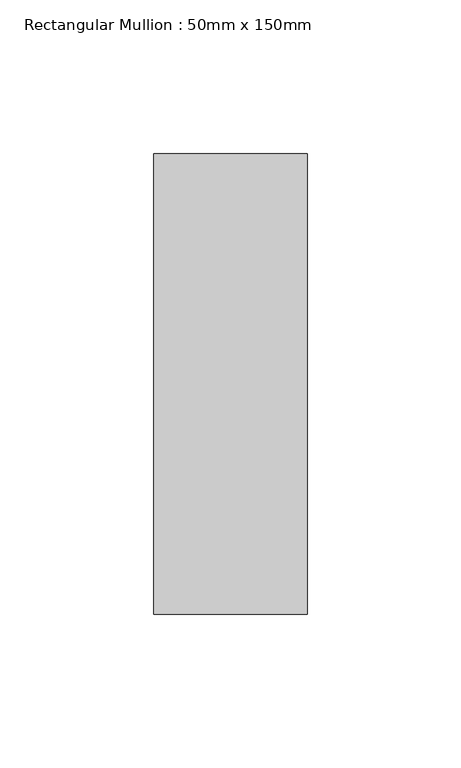
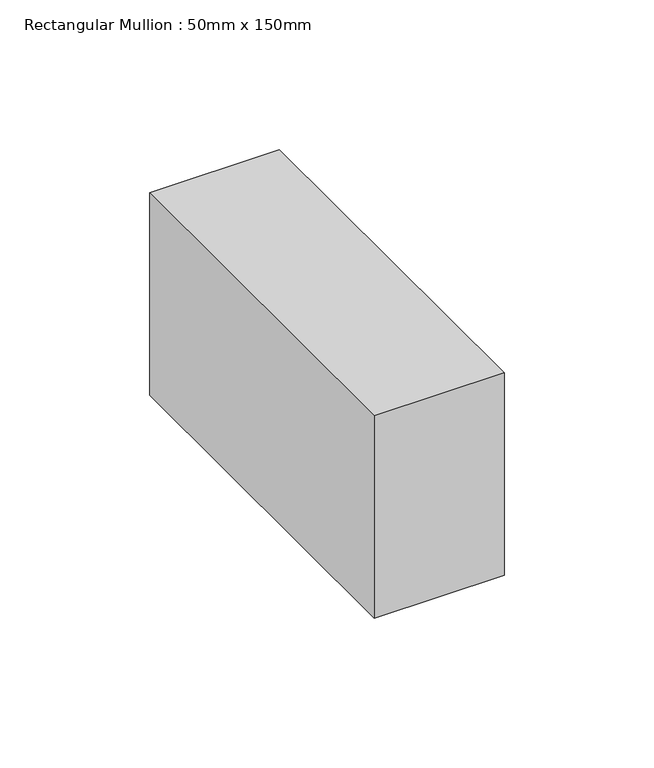
"""IFC4 building model written with IfcOpenShell, lengths in millimetres: member geometry, Rectangular Mullion : 50mm x 150mm."""

import ifcopenshell
import ifcopenshell.guid

model = None  # the IFC model being written
_history = None  # IfcOwnerHistory: only IFC2X3 demands one
_inside = {}  # id of a spatial element -> (the spatial element, [elements in it])
_under = {}  # id of a project, library or spatial element -> (it, [spatial elements below it])
_declared = {}  # id of a project -> (the project, [libraries it declares])
_typed = {}  # id of a type object -> (the type object, [elements of that type])
_made_of = {}  # id of a material, layer set ... -> (it, [elements and type objects made of it])


def new_model(schema):
    """Start an empty IFC model of exactly this schema.

    Asked for "IFC4X3", IfcOpenShell would pick the latest addendum, in which some entities
    have other attributes; the version numbers below select the first issue.
    IFC2X3 requires an IfcOwnerHistory on every rooted entity: one is made here for all.
    """
    global model, _history
    if schema == "IFC4X3":
        model = ifcopenshell.file(schema_version=(4, 3, 0, 0))
    else:
        model = ifcopenshell.file(schema=schema)
    _inside.clear()
    _under.clear()
    _declared.clear()
    _typed.clear()
    _made_of.clear()
    _history = None
    if model.schema == "IFC2X3":
        org = make("IfcOrganization", Name="unknown")
        user = make(
            "IfcPersonAndOrganization",
            ThePerson=make("IfcPerson", FamilyName="unknown"),
            TheOrganization=org,
        )
        app = make(
            "IfcApplication",
            ApplicationDeveloper=org,
            Version="unknown",
            ApplicationFullName="unknown",
            ApplicationIdentifier="unknown",
        )
        _history = make(
            "IfcOwnerHistory",
            OwningUser=user,
            OwningApplication=app,
            ChangeAction="ADDED",
            CreationDate=0,
        )
    return model


def make(cls, **values):
    """One entity of the class cls with the attributes given. An attribute that is None is left unset."""
    return model.create_entity(
        cls, **{name: value for name, value in values.items() if value is not None}
    )


def rooted(cls, **values):
    """An entity with a GlobalId (a new one), such as an element, a storey or a relation."""
    return make(cls, GlobalId=ifcopenshell.guid.new(), OwnerHistory=_history, **values)


def si_unit(unit_type, name, prefix=None):
    """IfcSIUnit, for example si_unit("LENGTHUNIT", "METRE", prefix="MILLI")."""
    return make("IfcSIUnit", UnitType=unit_type, Prefix=prefix, Name=name)


def assignment(units):
    """IfcUnitAssignment: the units of a project."""
    return None if units is None else make("IfcUnitAssignment", Units=units)


def point(xyz):
    """IfcCartesianPoint."""
    return None if xyz is None else make("IfcCartesianPoint", Coordinates=xyz)


def direction(xyz):
    """IfcDirection."""
    return None if xyz is None else make("IfcDirection", DirectionRatios=xyz)


def frame(location, z_axis=None, x_axis=None):
    """IfcAxis2Placement3D, a coordinate frame: its origin and axes. An axis left out is left unset."""
    return make(
        "IfcAxis2Placement3D",
        Location=point(location),
        Axis=direction(z_axis),
        RefDirection=direction(x_axis),
    )


def origin():
    """The frame at (0, 0, 0) with its axes left unset."""
    return frame((0.0, 0.0, 0.0))


def place(relative_to, where):
    """IfcLocalPlacement: puts the frame where relative to a parent placement (None: the world)."""
    return make(
        "IfcLocalPlacement", PlacementRelTo=relative_to, RelativePlacement=where
    )


def context(
    kind, dimensions, precision=None, world=None, true_north=None, identifier=None
):
    """IfcGeometricRepresentationContext, for example the 3D "Model" context."""
    return make(
        "IfcGeometricRepresentationContext",
        ContextIdentifier=identifier,
        ContextType=kind,
        CoordinateSpaceDimension=dimensions,
        Precision=precision,
        WorldCoordinateSystem=world,
        TrueNorth=true_north,
    )


def project(units=None, contexts=None):
    """IfcProject with its units and contexts."""
    return rooted(
        "IfcProject",
        Name="project",
        RepresentationContexts=contexts,
        UnitsInContext=assignment(units),
    )


def spatial(cls, under=None, at=None, **own):
    """A site, building, storey or space (cls), placed at a placement, below another one or the project."""
    s = rooted(cls, ObjectPlacement=at, **own)
    if under is not None:
        _under.setdefault(under.id(), (under, []))[1].append(s)
    return s


def polyline(points):
    """IfcPolyline through the points."""
    return make("IfcPolyline", Points=[point(p) for p in points])


def outline(outer, holes=None, kind="AREA"):
    """IfcArbitraryClosedProfileDef: a profile drawn as a closed curve; with holes, ...WithVoids."""
    if holes is None:
        return make("IfcArbitraryClosedProfileDef", ProfileType=kind, OuterCurve=outer)
    return make(
        "IfcArbitraryProfileDefWithVoids",
        ProfileType=kind,
        OuterCurve=outer,
        InnerCurves=holes,
    )


def extrude(swept, where, along, depth):
    """IfcExtrudedAreaSolid: the profile swept, set in the frame where, extruded along a direction by depth."""
    return make(
        "IfcExtrudedAreaSolid",
        SweptArea=swept,
        Position=where,
        ExtrudedDirection=direction(along),
        Depth=depth,
    )


def shape(context_of_items, identifier, shape_type, items):
    """IfcShapeRepresentation: the items that make up one representation, for example the "Body"."""
    return make(
        "IfcShapeRepresentation",
        ContextOfItems=context_of_items,
        RepresentationIdentifier=identifier,
        RepresentationType=shape_type,
        Items=items,
    )


def source(mapping_origin, context_of_items, identifier, shape_type, items):
    """IfcRepresentationMap: a shape defined once, which mapped items show again and again."""
    return make(
        "IfcRepresentationMap",
        MappingOrigin=mapping_origin,
        MappedRepresentation=shape(context_of_items, identifier, shape_type, items),
    )


def transform(
    local_origin,
    x_axis=None,
    y_axis=None,
    z_axis=None,
    scale=None,
    scale2=None,
    scale3=None,
    uniform=True,
):
    """IfcCartesianTransformationOperator3D, or its non-uniform kind. x_axis, y_axis, z_axis: its Axis1, 2, 3."""
    if uniform:
        return make(
            "IfcCartesianTransformationOperator3D",
            Axis1=direction(x_axis),
            Axis2=direction(y_axis),
            LocalOrigin=point(local_origin),
            Scale=scale,
            Axis3=direction(z_axis),
        )
    return make(
        "IfcCartesianTransformationOperator3DnonUniform",
        Axis1=direction(x_axis),
        Axis2=direction(y_axis),
        LocalOrigin=point(local_origin),
        Scale=scale,
        Axis3=direction(z_axis),
        Scale2=scale2,
        Scale3=scale3,
    )


def mapped(mapping_source, mapping_target):
    """IfcMappedItem: shows the shape of a source again, moved by a transform."""
    return make(
        "IfcMappedItem", MappingSource=mapping_source, MappingTarget=mapping_target
    )


def made_of(thing, what):
    """Note that an element or type object is made of a material, layer set ...; save() writes the relation."""
    if what is not None:
        _made_of.setdefault(what.id(), (what, []))[1].append(thing)
    return thing


def element(
    cls,
    number,
    at=None,
    inside=None,
    cuts=None,
    type_object=None,
    material=None,
    context=None,
    identifier="Body",
    shape_type=None,
    held_by="IfcProductDefinitionShape",
    body=None,
    shapes=None,
    **own,
):
    """One element of the class cls, such as IfcWall. Its Tag is "e" and its number.

    at: its placement. inside: the storey or other place that contains it. cuts: it is an
    opening in that element (IfcRelVoidsElement). A single representation is given by context,
    identifier, shape_type and body (its items); several are given by shapes. held_by: the class
    of the entity that holds the representations. save() writes the other relations.
    """
    e = rooted(cls, Tag="e%d" % number, ObjectPlacement=at, **own)
    if body is not None:
        shapes = [shape(context, identifier, shape_type, body)]
    if shapes is not None:
        e.Representation = make(held_by, Representations=shapes)
    if inside is not None:
        _inside.setdefault(inside.id(), (inside, []))[1].append(e)
    if cuts is not None:
        rooted(
            "IfcRelVoidsElement", RelatingBuildingElement=cuts, RelatedOpeningElement=e
        )
    if type_object is not None:
        _typed.setdefault(type_object.id(), (type_object, []))[1].append(e)
    return made_of(e, material)


def aggregate(whole, parts):
    """IfcRelAggregates: a whole, such as a stair, and the parts it consists of."""
    return rooted("IfcRelAggregates", RelatingObject=whole, RelatedObjects=parts)


def save(model, path):
    """Write the relations noted so far, then the file.

    IfcRelAggregates (storeys below a building ...), IfcRelContainedInSpatialStructure (elements
    in a storey), IfcRelDefinesByType, IfcRelAssociatesMaterial and IfcRelDeclares: one each for
    every whole, place, type object, material and project.
    """
    for whole, parts in _under.values():
        aggregate(whole, parts)
    for where, things in _inside.values():
        rooted(
            "IfcRelContainedInSpatialStructure",
            RelatedElements=things,
            RelatingStructure=where,
        )
    for kind, things in _typed.values():
        rooted("IfcRelDefinesByType", RelatedObjects=things, RelatingType=kind)
    for what, things in _made_of.values():
        rooted("IfcRelAssociatesMaterial", RelatedObjects=things, RelatingMaterial=what)
    for by, libraries in _declared.values():
        rooted("IfcRelDeclares", RelatingContext=by, RelatedDefinitions=libraries)
    model.write(path)


def rectangular_mullion_50mm_x_150mm_5ab53d4c(model_context):
    return source(origin(), model_context, "Body", "SweptSolid", [
        extrude(outline(polyline([(0.0, 75.0), (0.0, -75.0), (-50.0, -75.0), (-50.0, 75.0), (0.0, 75.0)])), frame((0.0, 0.0, -82.5017915), z_axis=(0.0, 0.0, 1.0), x_axis=(1.0, 0.0, 0.0)), (0.0, 0.0, 1.0), 82.5017915),
    ])


if __name__ == "__main__":
    model = new_model("IFC4")
    model_context = context("Model", 3, world=origin())
    ifc_project = project(units=[si_unit("LENGTHUNIT", "METRE", prefix="MILLI")], contexts=[model_context])
    site = spatial("IfcSite", under=ifc_project)
    building = spatial("IfcBuilding", under=site)
    placement = place(None, origin())
    rectangular_mullion_50mm_x_150mm_shape = rectangular_mullion_50mm_x_150mm_5ab53d4c(model_context)
    element("IfcMember", 1, ObjectType="Rectangular Mullion : 50mm x 150mm", at=placement, inside=building, context=model_context, shape_type="MappedRepresentation", body=[
        mapped(rectangular_mullion_50mm_x_150mm_shape, transform((0.0, 0.0, 0.0), x_axis=(1.0, 0.0, 0.0), y_axis=(0.0, 1.0, 0.0), z_axis=(0.0, 0.0, 1.0))),
    ])
    save(model, "model.ifc")
